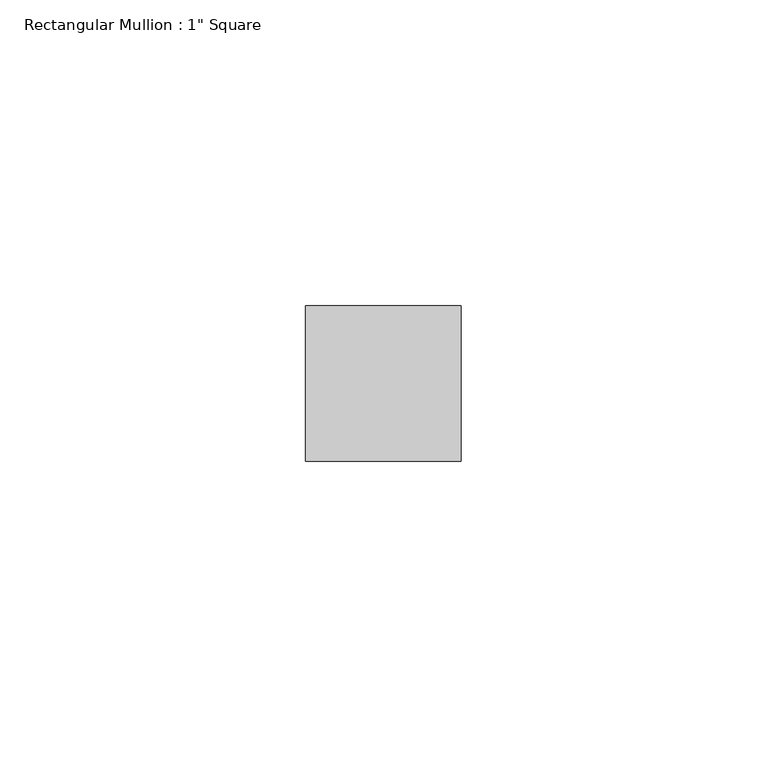
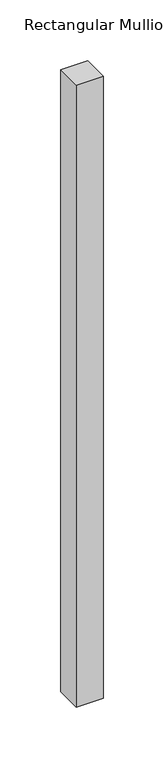
"""IFC4 building model written with IfcOpenShell, lengths in millimetres: member geometry."""

from ifc_helpers import new_model, si_unit, frame, origin, place, context, project, spatial, polyline, outline, extrude, source, transform, mapped, element, save


def member_b126d612(model_context):
    return source(origin(), model_context, "Body", "SweptSolid", [
        extrude(outline(polyline([(0.0, 12.7), (0.0, -12.7), (-25.4, -12.7), (-25.4, 12.7), (0.0, 12.7)])), frame((0.0, 0.0, -624.164422), z_axis=(0.0, 0.0, 1.0), x_axis=(1.0, 0.0, 0.0)), (0.0, 0.0, 1.0), 624.164422),
    ])


if __name__ == "__main__":
    model = new_model("IFC4")
    model_context = context("Model", 3, world=origin())
    ifc_project = project(units=[si_unit("LENGTHUNIT", "METRE", prefix="MILLI")], contexts=[model_context])
    site = spatial("IfcSite", under=ifc_project)
    building = spatial("IfcBuilding", under=site)
    placement = place(None, origin())
    member_shape = member_b126d612(model_context)
    element("IfcMember", 1, ObjectType="Rectangular Mullion : 1\" Square", at=placement, inside=building, context=model_context, shape_type="MappedRepresentation", body=[
        mapped(member_shape, transform((0.0, 0.0, 0.0), x_axis=(1.0, 0.0, 0.0), y_axis=(0.0, 1.0, 0.0), z_axis=(0.0, 0.0, 1.0))),
    ])
    save(model, "model.ifc")
